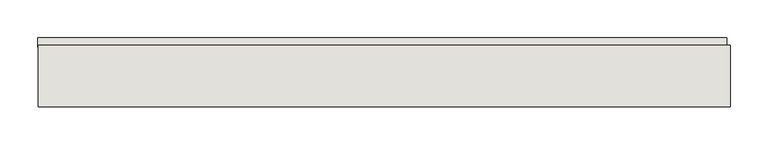
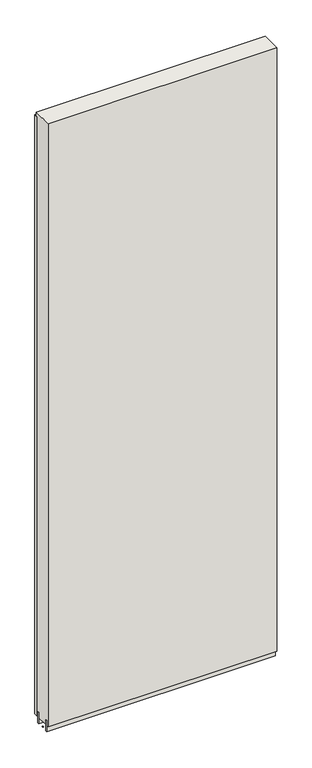
"""IFC4 building model written with IfcOpenShell, lengths in millimetres: wall geometry."""

from ifc_helpers import new_model, si_unit, frame, origin, place, context, project, spatial, polyline, outline, extrude, source, transform, mapped, element, save


def wall_91a6b32d(model_context):
    return source(origin(), model_context, "Body", "SweptSolid", [
        extrude(outline(polyline([(70975.0674476, -39414.4636398), (70977.6074476, -39414.4636398), (70977.6074476, -39417.0036398), (70975.0674476, -39417.0036398), (70975.0674476, -39414.4636398)])), frame((0.0, 0.0, 4419.6), z_axis=(0.0, 0.0, 1.0), x_axis=(1.0, 0.0, 0.0)), (0.0, 0.0, 1.0), 2.54),
        extrude(outline(polyline([(70974.5981318, -39364.9336398), (71889.7606398, -39364.9336398), (71889.7606398, -39377.6336398), (70974.5981318, -39377.6336398), (70974.5981318, -39364.9336398)])), frame((0.0, 0.0, 4445.0), z_axis=(0.0, 0.0, 1.0), x_axis=(1.0, 0.0, 0.0)), (0.0, 0.0, 1.0), 2545.0498756),
        extrude(outline(polyline([(70975.066203, -39440.8142856), (71894.2163078, -39440.8142856), (71894.2163078, -39445.8961398), (70975.066203, -39445.8961398), (70975.066203, -39440.8142856)])), frame((0.0, 0.0, 4418.6602), z_axis=(0.0, 0.0, 1.0), x_axis=(1.0, 0.0, 0.0)), (0.0, 0.0, 1.0), 47.625),
        extrude(outline(polyline([(70975.066203, -39440.8142856), (71894.2163078, -39440.8142856), (71894.2163078, -39445.8961398), (70975.066203, -39445.8961398), (70975.066203, -39440.8142856)])), frame((0.0, 0.0, 4418.6602), z_axis=(0.0, 0.0, 1.0), x_axis=(1.0, 0.0, 0.0)), (0.0, 0.0, 1.0), 47.625),
        extrude(outline(polyline([(71894.2163078, -39390.6498952), (70975.066203, -39390.6498952), (70975.066203, -39385.5711398), (71894.2163078, -39385.5711398), (71894.2163078, -39390.6498952)])), frame((0.0, 0.0, 4418.6602), z_axis=(0.0, 0.0, 1.0), x_axis=(1.0, 0.0, 0.0)), (0.0, 0.0, 1.0), 47.625),
        extrude(outline(polyline([(71894.2163078, -39390.6498952), (70975.066203, -39390.6498952), (70975.066203, -39385.5711398), (71894.2163078, -39385.5711398), (71894.2163078, -39390.6498952)])), frame((0.0, 0.0, 4418.6602), z_axis=(0.0, 0.0, 1.0), x_axis=(1.0, 0.0, 0.0)), (0.0, 0.0, 1.0), 47.625),
        extrude(outline(polyline([(70975.066203, -39456.3854254), (70975.066203, -39375.10667), (71894.2163078, -39375.10667), (71894.2163078, -39456.3854254), (70975.066203, -39456.3854254)])), frame((0.0, 0.0, 4445.0), z_axis=(0.0, 0.0, 1.0), x_axis=(1.0, 0.0, 0.0)), (0.0, 0.0, 1.0), 2562.4536762),
    ])


if __name__ == "__main__":
    model = new_model("IFC4")
    model_context = context("Model", 3, world=origin())
    ifc_project = project(units=[si_unit("LENGTHUNIT", "METRE", prefix="MILLI")], contexts=[model_context])
    site = spatial("IfcSite", under=ifc_project)
    building = spatial("IfcBuilding", under=site)
    placement = place(None, origin())
    wall_shape = wall_91a6b32d(model_context)
    element("IfcWall", 1, at=placement, inside=building, context=model_context, shape_type="MappedRepresentation", body=[
        mapped(wall_shape, transform((0.0, 0.0, 0.0), x_axis=(1.0, 0.0, 0.0), y_axis=(0.0, 1.0, 0.0), z_axis=(0.0, 0.0, 1.0))),
    ])
    save(model, "model.ifc")
